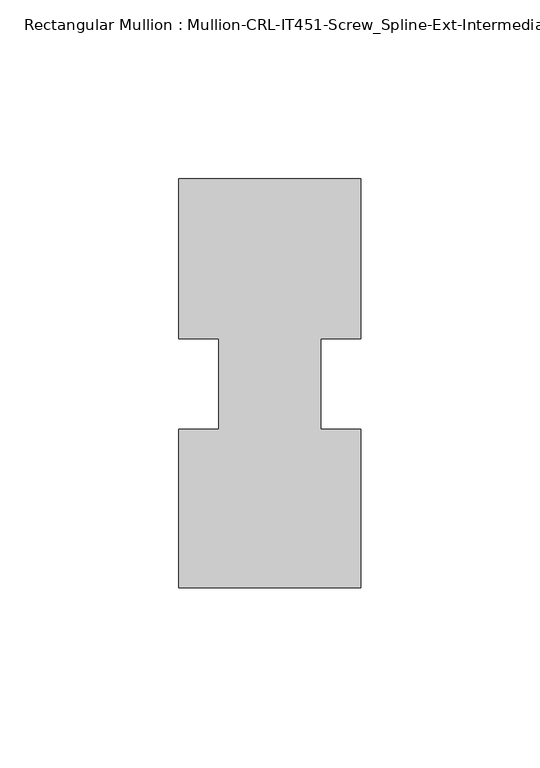
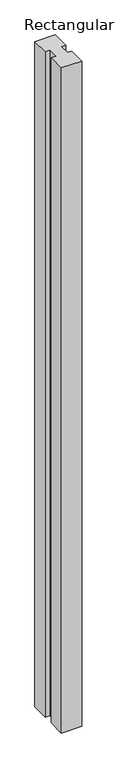
"""IFC4 building model written with IfcOpenShell, lengths in millimetres: member geometry, Rectangular Mullion : Mullion-CRL-IT451-Screw_Spline-Ext-Intermediate_Horizontal."""

from ifc_helpers import new_model, si_unit, frame, origin, place, context, project, spatial, polyline, outline, extrude, source, transform, mapped, element, save


def rectangular_mullion_mullion_crl_it451_screw_spline_ext_d13f4370(model_context):
    return source(origin(), model_context, "Body", "SweptSolid", [
        extrude(outline(polyline([(25.4, -57.15), (-25.4, -57.15), (-25.4, -12.8430761), (-14.2875, -12.8430761), (-14.2875, 12.5476134), (-25.4, 12.5476134), (-25.4, 57.15), (25.4, 57.15), (25.4, 12.5476134), (14.2875, 12.5476134), (14.2875, -12.8430761), (25.4, -12.8430761), (25.4, -57.15)])), frame((0.0, 0.0, -1752.6), z_axis=(0.0, 0.0, 1.0), x_axis=(1.0, 0.0, 0.0)), (0.0, 0.0, 1.0), 1752.6),
    ])


if __name__ == "__main__":
    model = new_model("IFC4")
    model_context = context("Model", 3, world=origin())
    ifc_project = project(units=[si_unit("LENGTHUNIT", "METRE", prefix="MILLI")], contexts=[model_context])
    site = spatial("IfcSite", under=ifc_project)
    building = spatial("IfcBuilding", under=site)
    placement = place(None, origin())
    rectangular_mullion_mullion_crl_it451_screw_spline_ext_shape = rectangular_mullion_mullion_crl_it451_screw_spline_ext_d13f4370(model_context)
    element("IfcMember", 1, ObjectType="Rectangular Mullion : Mullion-CRL-IT451-Screw_Spline-Ext-Intermediate_Horizontal", at=placement, inside=building, context=model_context, shape_type="MappedRepresentation", body=[
        mapped(rectangular_mullion_mullion_crl_it451_screw_spline_ext_shape, transform((0.0, 0.0, 0.0), x_axis=(1.0, 0.0, 0.0), y_axis=(0.0, 1.0, 0.0), z_axis=(0.0, 0.0, 1.0))),
    ])
    save(model, "model.ifc")
